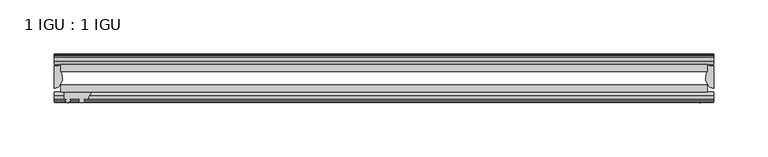
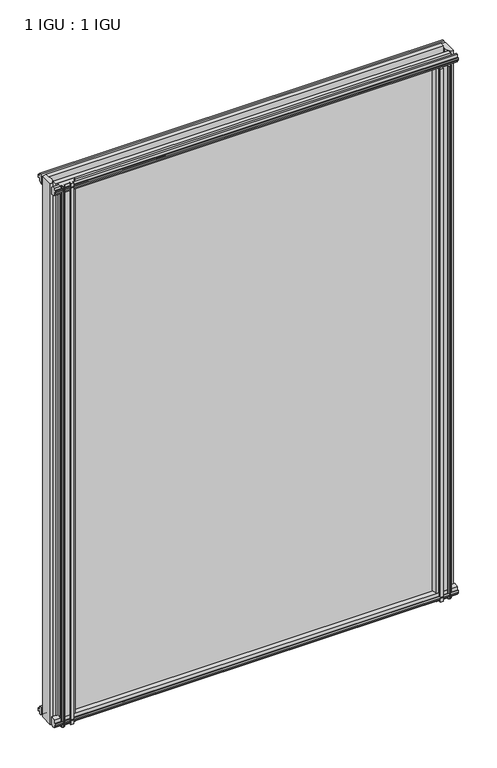
"""IFC4 building model written with IfcOpenShell, lengths in millimetres: plate geometry, 1 IGU : 1 IGU."""

from ifc_helpers import new_model, si_unit, point, frame, frame_2d, origin, place, context, project, spatial, polyline, circle_curve, ellipse_curve, trimmed, segment, composite_curve, outline, extrude, source, transform, mapped, element, save
from ifc_brep_helpers import plane_surface, cylinder_surface, revolved_surface, extruded_surface, advanced_brep


def plate_1_igu_1_igu_73d71f3a(model_context):
    return source(origin(), model_context, "Body", "SolidModel", [
        extrude(outline(polyline([(-298.4500002, -38.6468937), (298.4500002, -38.6468937), (298.4500002, -44.9460938), (-298.4500002, -44.9460938), (-298.4500002, -38.6468937)])), frame((0.0, 0.0, -12.7), z_axis=(0.0, 0.0, 1.0), x_axis=(1.0, 0.0, 0.0)), (0.0, 0.0, 1.0), 863.5872996),
        extrude(outline(polyline([(-298.4500002, -19.5460937), (298.4500002, -19.5460937), (298.4500002, -25.8960938), (-298.4500002, -25.8960938), (-298.4500002, -19.5460937)])), frame((0.0, 0.0, -12.7), z_axis=(0.0, 0.0, 1.0), x_axis=(1.0, 0.0, 0.0)), (0.0, 0.0, 1.0), 863.5872996),
        advanced_brep(
        [(304.8000002, -21.1709383, -12.4587), (304.8000002, -41.5384061, -12.4587), (297.277663, -32.2460938, -12.4587), (298.4500002, -25.8452938, -12.4587), (298.4500002, -19.5460938, -12.4587), (304.8000002, -21.1709383, 850.8872996), (298.4500002, -19.5460938, 850.8872996), (298.4500002, -25.8452938, 850.8872996), (297.277663, -32.2460938, 850.8872996), (304.8000002, -41.5384061, 850.8872996)],
        [
            (0, 1),
            (1, 2, ellipse_curve(frame((304.8000002, -32.2460938, -12.4587), z_axis=(0.0, 0.0, -1.0), x_axis=(0.0, -1.0, 0.0)), 9.2923124, 7.5223371)),
            (2, 3, circle_curve(frame((315.3375765, -32.2460938, -12.4587), z_axis=(0.0, 0.0, -1.0), x_axis=(1.0, 0.0, 0.0)), 18.0599135)),
            (3, 4),
            (4, 0, circle_curve(frame((304.8000002, -7.950406, -12.4587), z_axis=(0.0, 0.0, 1.0), x_axis=(1.0, 0.0, 0.0)), 13.2205323)),
            (5, 6, circle_curve(frame((304.8000002, -7.950406, 850.8872996), z_axis=(0.0, 0.0, -1.0), x_axis=(1.0, 0.0, 0.0)), 13.2205323)),
            (6, 7),
            (7, 8, circle_curve(frame((315.3375765, -32.2460938, 850.8872996), z_axis=(0.0, 0.0, 1.0), x_axis=(1.0, 0.0, 0.0)), 18.0599135)),
            (8, 9, ellipse_curve(frame((304.8000002, -32.2460938, 850.8872996), z_axis=(0.0, 0.0, 1.0), x_axis=(0.0, -1.0, 0.0)), 9.2923124, 7.5223371)),
            (9, 5),
            (1, 9),
            (8, 2),
            (7, 3),
            (6, 4),
            (5, 0),
        ],
        [
            plane_surface(frame((304.8000002, -13.1960938, -12.4587), z_axis=(0.0, 0.0, -1.0), x_axis=(0.0, 1.0, 0.0))),
            plane_surface(frame((304.8000002, -13.1960938, 850.8872996), z_axis=(0.0, 0.0, 1.0), x_axis=(0.0, 1.0, 0.0))),
            extruded_surface(trimmed(ellipse_curve(frame((304.8000002, -32.2460938, 850.8872996), z_axis=(0.0, 0.0, -1.0), x_axis=(0.0, -1.0, 0.0)), 9.2923124, 7.5223371), [point((304.8000002, -41.5384061, 850.8872996))], [point((297.277663, -32.2460938, 850.8872996))], True, "CARTESIAN"), (0.0, 0.0, -863.3459996), 863.3459996),
            cylinder_surface(frame((315.3375765, -32.2460938, -12.4587), z_axis=(0.0, 0.0, -1.0), x_axis=(1.0, 0.0, 0.0)), 18.0599135),
            plane_surface(frame((298.4500002, -25.8452938, -12.4587), z_axis=(-1.0, 0.0, 0.0), x_axis=(0.0, 0.0, 1.0))),
            revolved_surface(polyline([(318.0205325, -7.950406, 850.8872996), (318.0205325, -7.950406, -12.4587)]), (304.8000002, -7.950406, -12.4587), (0.0, 0.0, 1.0)),
            plane_surface(frame((304.8000002, -21.1709383, -12.4587), z_axis=(1.0, 0.0, 0.0), x_axis=(0.0, 0.0, 1.0))),
        ],
        [
            (0, [[1, 2, 3, 4, 5]]),
            (1, [[6, 7, 8, 9, 10]]),
            (2, [[-2, 11, -9, 12]]),
            (3, [[-3, -12, -8, 13]]),
            (4, [[-4, -13, -7, 14]]),
            (5, [[-5, -14, -6, 15]]),
            (6, [[-1, -15, -10, -11]]),
        ],
    ),
        advanced_brep(
        [(-304.8000002, -21.1706006, -12.7), (-298.4513883, -19.5461438, -12.7), (-298.4513883, -25.8549351, -12.7), (-297.276037, -32.21431, -12.7), (-304.8000002, -41.5384043, -12.7), (-304.8000002, -21.1706006, 850.8872996), (-304.8000002, -41.5384043, 850.8872996), (-297.276037, -32.21431, 850.8872996), (-298.4513883, -25.8549351, 850.8872996), (-298.4513883, -19.5461438, 850.8872996)],
        [
            (0, 1, circle_curve(frame((-304.8005696, -7.9505008, -12.7), z_axis=(0.0, 0.0, 1.0), x_axis=(1.0, 0.0, 0.0)), 13.2200998)),
            (1, 2),
            (2, 3, circle_curve(frame((-315.3384013, -32.2643264, -12.7), z_axis=(0.0, 0.0, -1.0), x_axis=(1.0, 0.0, 0.0)), 18.0624336)),
            (3, 4, ellipse_curve(frame((-304.7991672, -32.2460921, -12.7), z_axis=(0.0, 0.0, -1.0), x_axis=(0.0, -1.0, 0.0)), 9.2923123, 7.5231742)),
            (4, 0),
            (5, 6),
            (6, 7, ellipse_curve(frame((-304.7991672, -32.2460921, 850.8872996), z_axis=(0.0, 0.0, 1.0), x_axis=(0.0, -1.0, 0.0)), 9.2923123, 7.5231742)),
            (7, 8, circle_curve(frame((-315.3384013, -32.2643264, 850.8872996), z_axis=(0.0, 0.0, 1.0), x_axis=(1.0, 0.0, 0.0)), 18.0624336)),
            (8, 9),
            (9, 5, circle_curve(frame((-304.8005696, -7.9505008, 850.8872996), z_axis=(0.0, 0.0, -1.0), x_axis=(1.0, 0.0, 0.0)), 13.2200998)),
            (0, 5),
            (9, 1),
            (8, 2),
            (7, 3),
            (6, 4),
        ],
        [
            plane_surface(frame((-304.8000002, -13.1960937, -12.7), z_axis=(0.0, 0.0, -1.0), x_axis=(0.0, 1.0, 0.0))),
            plane_surface(frame((-304.8000002, -13.1960937, 850.8872996), z_axis=(0.0, 0.0, 1.0), x_axis=(0.0, 1.0, 0.0))),
            revolved_surface(polyline([(-291.5804698, -7.9505008, 850.8872996), (-291.5804698, -7.9505008, -12.7)]), (-304.8005696, -7.9505008, -12.7), (0.0, 0.0, 1.0)),
            plane_surface(frame((-298.4513883, -19.5461438, -12.7), z_axis=(1.0, 0.0, 0.0), x_axis=(0.0, 0.0, 1.0))),
            cylinder_surface(frame((-315.3384013, -32.2643264, -12.7), z_axis=(0.0, 0.0, -1.0), x_axis=(1.0, 0.0, 0.0)), 18.0624336),
            extruded_surface(trimmed(ellipse_curve(frame((-304.7991672, -32.2460921, 850.8872996), z_axis=(0.0, 0.0, -1.0), x_axis=(0.0, -1.0, 0.0)), 9.2923123, 7.5231742), [point((-297.276037, -32.21431, 850.8872996))], [point((-304.8000002, -41.5384043, 850.8872996))], True, "CARTESIAN"), (0.0, 0.0, -863.5872996), 863.5872996),
            plane_surface(frame((-304.8000002, -41.5384043, -12.7), z_axis=(-1.0, 0.0, 0.0), x_axis=(0.0, 0.0, 1.0))),
        ],
        [
            (0, [[1, 2, 3, 4, 5]]),
            (1, [[6, 7, 8, 9, 10]]),
            (2, [[-1, 11, -10, 12]]),
            (3, [[-2, -12, -9, 13]]),
            (4, [[-3, -13, -8, 14]]),
            (5, [[-4, -14, -7, 15]]),
            (6, [[-5, -15, -6, -11]]),
        ],
    ),
        extrude(outline(polyline([(-44.9460937, 1.7177181), (-44.9460937, -9.1036578), (-48.3496937, -11.938), (-51.2960937, -11.938), (-51.2960937, -7.493), (-53.6762907, -7.112), (-53.2163575, -8.5275291), (-54.0175717, -8.5275291), (-54.7250937, -6.35), (-54.0175717, -4.1724709), (-53.2163575, -4.1724709), (-53.6762907, -5.588), (-51.2960937, -5.207), (-51.2960937, 0.0), (-44.9460937, 1.7177181)])), frame((-304.8000002, 0.0, 0.0), z_axis=(1.0, 0.0, 0.0), x_axis=(0.0, 1.0, 0.0)), (0.0, 0.0, 1.0), 609.6000003),
        extrude(outline(polyline([(-13.1960937, -12.4587), (-16.1424937, -12.4587), (-19.5460937, -9.6243578), (-19.5460937, 1.1970181), (-13.1960937, -0.5207), (-13.1960937, -5.7277), (-10.8158968, -6.1087), (-11.27583, -4.6931709), (-10.4746158, -4.6931709), (-9.7670937, -6.8707), (-10.4746158, -9.0482291), (-11.27583, -9.0482291), (-10.8158968, -7.6327), (-13.1960937, -8.0137), (-13.1960937, -12.4587)])), frame((-304.8000002, 0.0, 0.0), z_axis=(1.0, 0.0, 0.0), x_axis=(0.0, 1.0, 0.0)), (0.0, 0.0, 1.0), 609.6000003),
        extrude(outline(polyline([(-51.2960937, 850.1252996), (-48.3496937, 850.1252996), (-44.9460937, 847.2909574), (-44.9460937, 836.4695815), (-51.2960937, 838.1872996), (-51.2960937, 843.3942996), (-53.6762907, 843.7752996), (-53.2163575, 842.3597706), (-54.0175717, 842.3597706), (-54.7250937, 844.5372996), (-54.0175717, 846.7148287), (-53.2163575, 846.7148287), (-53.6762907, 845.2992996), (-51.2960937, 845.6802996), (-51.2960937, 850.1252996)])), frame((-304.8000002, 0.0, 0.0), z_axis=(1.0, 0.0, 0.0), x_axis=(0.0, 1.0, 0.0)), (0.0, 0.0, 1.0), 609.6000003),
        extrude(outline(polyline([(-19.5460937, 836.9902815), (-19.5460937, 847.8116574), (-16.1424937, 850.6459996), (-13.1960937, 850.6459996), (-13.1960937, 846.2009996), (-10.8158968, 845.8199996), (-11.27583, 847.2355287), (-10.4746158, 847.2355287), (-9.7670937, 845.0579996), (-10.4746158, 842.8804706), (-11.27583, 842.8804706), (-10.8158968, 844.2959996), (-13.1960937, 843.9149996), (-13.1960937, 838.7079996), (-19.5460937, 836.9902815)])), frame((-304.8000002, 0.0, 0.0), z_axis=(1.0, 0.0, 0.0), x_axis=(0.0, 1.0, 0.0)), (0.0, 0.0, 1.0), 609.6000003),
        extrude(outline(composite_curve([segment(polyline([(295.2750003, -44.9460938), (295.2750003, -51.2960938), (293.6240003, -51.2960938), (293.6240003, -52.9470938), (294.701631, -52.9470938)]), True, "CONTINUOUS"), segment(trimmed(circle_curve(frame_2d((293.6240003, -52.9470938)), 1.0776307), [point((294.701631, -52.9470938))], [point((294.3860003, -53.7090938))], False, "CARTESIAN"), True, "CONTINUOUS"), segment(polyline([(294.3860003, -53.7090938), (292.6467079, -54.8194621)]), True, "CONTINUOUS"), segment(trimmed(circle_curve(frame_2d((292.1000003, -53.9630938)), 1.016), [point((292.6467079, -54.8194621))], [point((291.5532927, -54.8194621))], False, "CARTESIAN"), True, "CONTINUOUS"), segment(polyline([(291.5532927, -54.8194621), (289.8140003, -53.7090938)]), True, "CONTINUOUS"), segment(trimmed(circle_curve(frame_2d((290.5760003, -52.9470938)), 1.0776307), [point((289.8140003, -53.7090938))], [point((289.4983696, -52.9470938))], False, "CARTESIAN"), True, "CONTINUOUS"), segment(polyline([(289.4983696, -52.9470938), (290.5760003, -52.9470938), (290.5760003, -51.2960938), (281.5082003, -51.2960938)]), True, "CONTINUOUS"), segment(trimmed(circle_curve(frame_2d((281.5082003, -51.7532938)), 0.4572), [point((281.5082003, -51.2960938))], [point((281.1693825, -52.0602698))], True, "CARTESIAN"), True, "CONTINUOUS"), segment(trimmed(circle_curve(frame_2d((279.4000003, -53.663367)), 2.3876), [point((281.1693825, -52.0602698))], [point((281.4706433, -54.8520938))], False, "CARTESIAN"), True, "CONTINUOUS"), segment(polyline([(281.4706433, -54.8520938), (277.3293573, -54.8520938)]), True, "CONTINUOUS"), segment(trimmed(circle_curve(frame_2d((279.4000003, -53.663367)), 2.3876), [point((277.3293573, -54.8520938))], [point((277.6306182, -52.0602698))], False, "CARTESIAN"), True, "CONTINUOUS"), segment(trimmed(circle_curve(frame_2d((277.2918003, -51.7532938)), 0.4572), [point((277.6306182, -52.0602698))], [point((277.2918003, -51.2960938))], True, "CARTESIAN"), True, "CONTINUOUS"), segment(polyline([(277.2918003, -51.2960938), (273.0500003, -51.2960938)]), True, "CONTINUOUS"), segment(trimmed(circle_curve(frame_2d((264.0340689, -51.9750196)), 9.0414579), [point((273.0500003, -51.2960938))], [point((269.7210858, -44.9460938))], True, "CARTESIAN"), True, "CONTINUOUS"), segment(polyline([(269.7210858, -44.9460938), (295.2750003, -44.9460938)]), True, "CONTINUOUS")], self_intersect=False)), frame((0.0, 0.0, -12.7), z_axis=(0.0, 0.0, 1.0), x_axis=(1.0, 0.0, 0.0)), (0.0, 0.0, 1.0), 850.8872996),
        extrude(outline(composite_curve([segment(trimmed(circle_curve(frame_2d((-264.0340689, -51.9750196)), 9.0414579), [point((-269.7210858, -44.9460938))], [point((-273.0500003, -51.2960938))], True, "CARTESIAN"), True, "CONTINUOUS"), segment(polyline([(-273.0500003, -51.2960938), (-277.2918003, -51.2960938)]), True, "CONTINUOUS"), segment(trimmed(circle_curve(frame_2d((-277.2918003, -51.7532938)), 0.4572), [point((-277.2918003, -51.2960938))], [point((-277.6306182, -52.0602698))], True, "CARTESIAN"), True, "CONTINUOUS"), segment(trimmed(circle_curve(frame_2d((-279.4000003, -53.663367)), 2.3876), [point((-277.6306182, -52.0602698))], [point((-277.3293573, -54.8520938))], False, "CARTESIAN"), True, "CONTINUOUS"), segment(polyline([(-277.3293573, -54.8520938), (-281.4706433, -54.8520938)]), True, "CONTINUOUS"), segment(trimmed(circle_curve(frame_2d((-279.4000003, -53.663367)), 2.3876), [point((-281.4706433, -54.8520938))], [point((-281.1693825, -52.0602698))], False, "CARTESIAN"), True, "CONTINUOUS"), segment(trimmed(circle_curve(frame_2d((-281.5082003, -51.7532938)), 0.4572), [point((-281.1693825, -52.0602698))], [point((-281.5082003, -51.2960938))], True, "CARTESIAN"), True, "CONTINUOUS"), segment(polyline([(-281.5082003, -51.2960938), (-290.5760003, -51.2960938), (-290.5760003, -52.9470938), (-289.4983696, -52.9470938)]), True, "CONTINUOUS"), segment(trimmed(circle_curve(frame_2d((-290.5760003, -52.9470938)), 1.0776307), [point((-289.4983696, -52.9470938))], [point((-289.8140003, -53.7090938))], False, "CARTESIAN"), True, "CONTINUOUS"), segment(polyline([(-289.8140003, -53.7090938), (-291.5532927, -54.8194621)]), True, "CONTINUOUS"), segment(trimmed(circle_curve(frame_2d((-292.1000003, -53.9630938)), 1.016), [point((-291.5532927, -54.8194621))], [point((-292.6467079, -54.8194621))], False, "CARTESIAN"), True, "CONTINUOUS"), segment(polyline([(-292.6467079, -54.8194621), (-294.3860003, -53.7090938)]), True, "CONTINUOUS"), segment(trimmed(circle_curve(frame_2d((-293.6240003, -52.9470938)), 1.0776307), [point((-294.3860003, -53.7090938))], [point((-294.701631, -52.9470938))], False, "CARTESIAN"), True, "CONTINUOUS"), segment(polyline([(-294.701631, -52.9470938), (-293.6240003, -52.9470938), (-293.6240003, -51.2960938), (-295.2750003, -51.2960938), (-295.2750003, -44.9460938), (-269.7210858, -44.9460938)]), True, "CONTINUOUS")], self_intersect=False)), frame((0.0, 0.0, -12.7), z_axis=(0.0, 0.0, 1.0), x_axis=(1.0, 0.0, 0.0)), (0.0, 0.0, 1.0), 863.5872998),
    ])


if __name__ == "__main__":
    model = new_model("IFC4")
    model_context = context("Model", 3, world=origin())
    ifc_project = project(units=[si_unit("LENGTHUNIT", "METRE", prefix="MILLI")], contexts=[model_context])
    site = spatial("IfcSite", under=ifc_project)
    building = spatial("IfcBuilding", under=site)
    placement = place(None, origin())
    plate_1_igu_1_igu_shape = plate_1_igu_1_igu_73d71f3a(model_context)
    element("IfcPlate", 1, ObjectType="1 IGU : 1 IGU", at=placement, inside=building, context=model_context, shape_type="MappedRepresentation", body=[
        mapped(plate_1_igu_1_igu_shape, transform((0.0, 0.0, 0.0), x_axis=(1.0, 0.0, 0.0), y_axis=(0.0, 1.0, 0.0), z_axis=(0.0, 0.0, 1.0))),
    ])
    save(model, "model.ifc")
